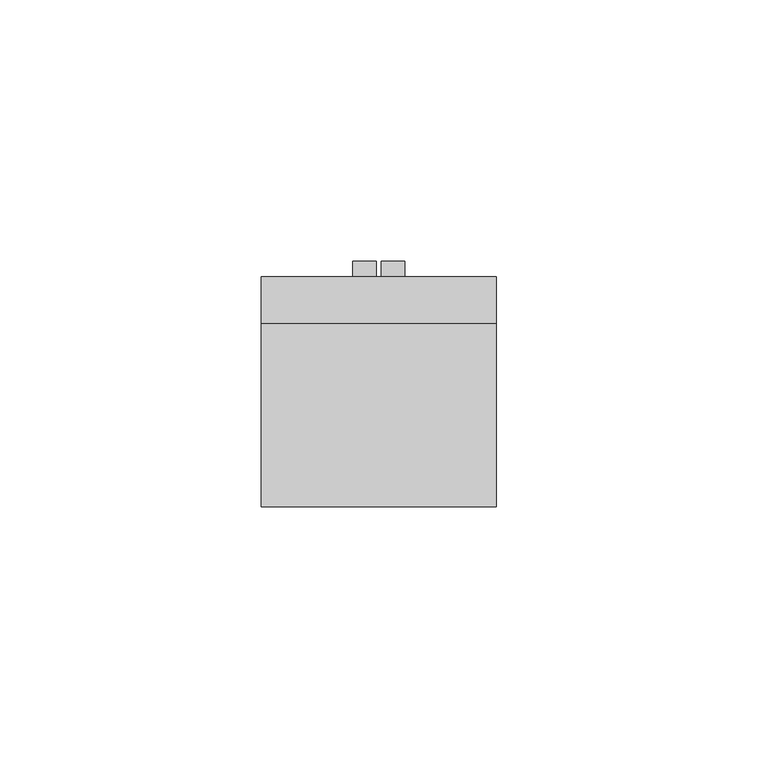
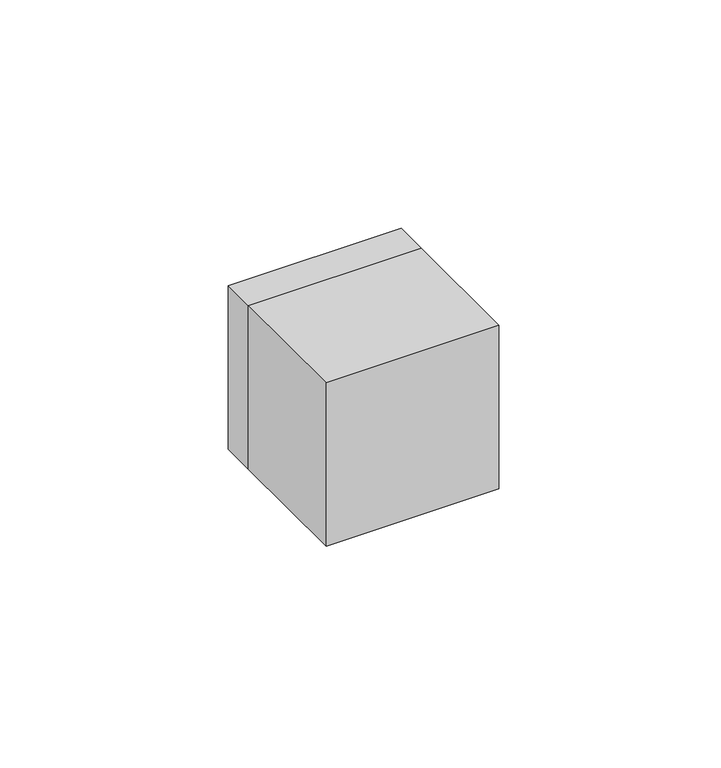
"""IFC4 building model written with IfcOpenShell, lengths in millimetres: electric appliance geometry."""

from ifc_helpers import new_model, si_unit, frame, origin, place, context, project, spatial, polyline, outline, extrude, faceted_brep, source, transform, mapped, element, save


def electric_appliance_7c88be9e(model_context):
    return source(origin(), model_context, "Body", "SolidModel", [
        extrude(outline(polyline([(22.5, -35.0), (-22.5, -35.0), (-22.5, 0.0), (22.5, 0.0), (22.5, -35.0)])), frame((0.0, 0.0, -22.5), z_axis=(0.0, 0.0, 1.0), x_axis=(1.0, 0.0, 0.0)), (0.0, 0.0, 1.0), 45.0),
        faceted_brep([(22.5, 9.0, 22.5), (22.5, 9.0, -22.5), (-22.5, 9.0, -22.5), (-22.5, 9.0, 22.5), (6.0, 9.0, 6.0), (-6.0, 9.0, 6.0), (-6.0, 9.0, -6.0), (6.0, 9.0, -6.0), (5.5, 9.0, 5.5), (5.5, 9.0, -5.5), (-5.5, 9.0, -5.5), (-5.5, 9.0, 5.5), (22.5, 0.0, 22.5), (-22.5, 0.0, 22.5), (-22.5, 0.0, -22.5), (22.5, 0.0, -22.5), (6.0, 8.0, 6.0), (6.0, 8.0, -6.0), (-6.0, 8.0, -6.0), (-6.0, 8.0, 6.0), (5.5, 8.0, 5.5), (-5.5, 8.0, 5.5), (-5.5, 8.0, -5.5), (5.5, 8.0, -5.5)], [[[0, 1, 2, 3], [4, 5, 6, 7]], [[8, 9, 10, 11]], [[12, 13, 14, 15]], [[0, 3, 13, 12]], [[3, 2, 14, 13]], [[2, 1, 15, 14]], [[1, 0, 12, 15]], [[16, 17, 18, 19], [20, 21, 22, 23]], [[16, 19, 5, 4]], [[19, 18, 6, 5]], [[18, 17, 7, 6]], [[17, 16, 4, 7]], [[20, 23, 9, 8]], [[23, 22, 10, 9]], [[22, 21, 11, 10]], [[21, 20, 8, 11]]]),
        extrude(outline(polyline([(-0.5, 9.0), (-5.0, 9.0), (-5.0, 12.0), (-0.5, 12.0), (-0.5, 9.0)])), frame((0.0, 0.0, -5.0), z_axis=(0.0, 0.0, 1.0), x_axis=(1.0, 0.0, 0.0)), (0.0, 0.0, 1.0), 10.0),
        extrude(outline(polyline([(5.0, 9.0), (0.5, 9.0), (0.5, 12.0), (5.0, 12.0), (5.0, 9.0)])), frame((0.0, 0.0, -5.0), z_axis=(0.0, 0.0, 1.0), x_axis=(1.0, 0.0, 0.0)), (0.0, 0.0, 1.0), 10.0),
    ])


if __name__ == "__main__":
    model = new_model("IFC4")
    model_context = context("Model", 3, world=origin())
    ifc_project = project(units=[si_unit("LENGTHUNIT", "METRE", prefix="MILLI")], contexts=[model_context])
    site = spatial("IfcSite", under=ifc_project)
    building = spatial("IfcBuilding", under=site)
    placement = place(None, origin())
    electric_appliance_shape = electric_appliance_7c88be9e(model_context)
    element("IfcElectricAppliance", 1, at=placement, inside=building, context=model_context, shape_type="MappedRepresentation", body=[
        mapped(electric_appliance_shape, transform((0.0, 0.0, 0.0), x_axis=(1.0, 0.0, 0.0), y_axis=(0.0, 1.0, 0.0), z_axis=(0.0, 0.0, 1.0))),
    ])
    save(model, "model.ifc")
